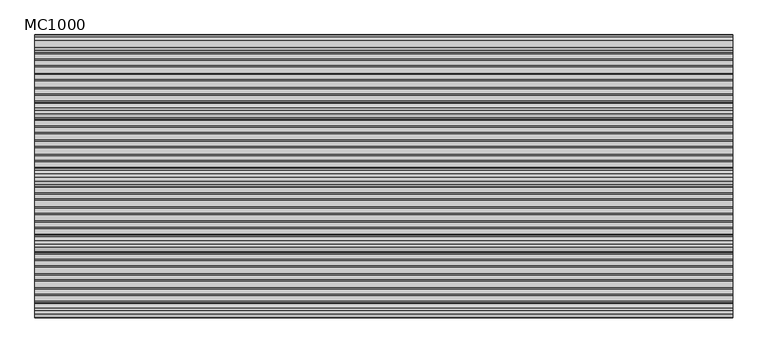
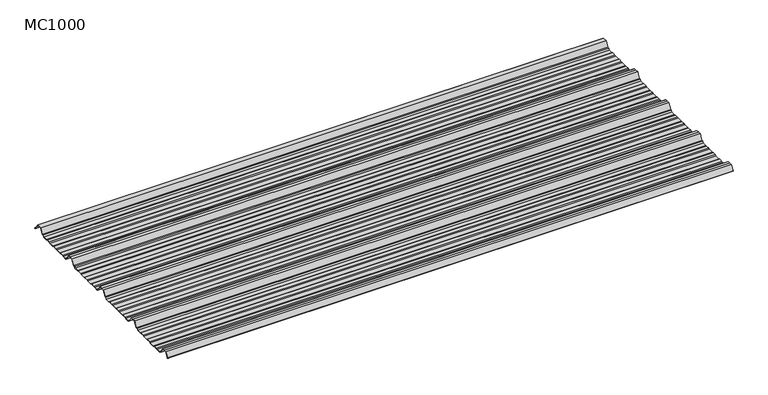
"""IFC4 building model written with IfcOpenShell, lengths in millimetres: beam geometry, MC1000."""

from ifc_helpers import new_model, si_unit, point, frame, frame_2d, origin, place, context, project, spatial, polyline, circle_curve, trimmed, segment, composite_curve, outline, extrude, source, transform, mapped, element, save


def mc1000_f1ba16e7(model_context):
    return source(origin(), model_context, "Body", "SweptSolid", [
        extrude(outline(composite_curve([segment(polyline([(-187.0338322, -23.7896472), (-192.5, -25.7896478), (-213.5, -25.7896478), (-217.6210251, -19.1370213), (-222.9746775, -19.1370213), (-238.0568616, 5.2103522), (-250.0, 5.2103522), (-261.9431384, 5.2103522), (-277.0253225, -19.1370213), (-282.3789749, -19.1370213), (-286.5, -25.7896478), (-307.5, -25.7896478), (-312.9661678, -23.7896476), (-330.9151087, -23.7896476), (-336.3812767, -25.7896478), (-360.5593616, -25.7896478), (-366.0255296, -23.7896476), (-383.97447, -23.7896476), (-389.4406384, -25.7896478), (-413.6187233, -25.7896478), (-419.0848913, -23.7896476), (-437.0338322, -23.7896476), (-442.5, -25.7896478), (-463.5, -25.7896478), (-467.6210251, -19.1370213), (-472.9746775, -19.1370213), (-488.0568616, 5.2103522), (-500.0, 5.2103522), (-511.9431384, 5.2103522), (-527.0253225, -19.1370213), (-532.3789749, -19.1370213), (-536.5, -25.7896478), (-557.5, -25.7896478), (-562.9661678, -23.789648), (-580.9151087, -23.789648), (-586.3812767, -25.7896482), (-610.5593616, -25.7896482), (-616.0255296, -23.7896476), (-633.97447, -23.7896476), (-639.4406384, -25.7896478), (-663.6187233, -25.7896478), (-669.0848913, -23.7896476), (-687.0338322, -23.7896476), (-692.5, -25.7896478), (-713.5, -25.7896478), (-717.6210251, -19.1370213), (-722.9746775, -19.1370213), (-738.0568616, 5.2103522), (-750.0, 5.2103522), (-761.9431384, 5.2103522), (-777.0253225, -19.1370213), (-782.3789749, -19.1370213), (-786.5, -25.7896478), (-807.5, -25.7896478), (-812.9661678, -23.7896476), (-830.9151087, -23.7896476), (-836.3812767, -25.7896478), (-860.5593616, -25.7896478), (-866.0255296, -23.7896476), (-883.97447, -23.7896476), (-889.4406384, -25.7896478), (-913.6187233, -25.7896478), (-919.0848913, -23.7896476), (-937.0338322, -23.7896476), (-942.5, -25.7896478), (-963.5, -25.7896478), (-967.6210251, -19.1370213), (-972.9746775, -19.1370213), (-988.0568616, 5.2103522), (-1000.0, 5.2103522), (-1011.9431384, 5.2103522), (-1025.3430666, -16.4213329)]), True, "CONTINUOUS"), segment(trimmed(circle_curve(frame_2d((-1025.768121, -16.1580294)), 0.5), [point((-1025.3430666, -16.4213329))], [point((-1026.1931754, -15.8947259))], False, "CARTESIAN"), True, "CONTINUOUS"), segment(polyline([(-1026.1931754, -15.8947259), (-1012.5, 6.2103522), (-1000.0, 6.2103522), (-987.5, 6.2103522), (-972.4178159, -18.1370213), (-967.0641635, -18.1370213), (-962.9431384, -24.7896478), (-942.6771992, -24.7896478), (-937.2110314, -22.7896476), (-918.9076926, -22.7896476), (-913.4415242, -24.7896478), (-889.6178376, -24.7896478), (-884.1516696, -22.7896478), (-865.8483309, -22.7896478), (-860.3821624, -24.7896478), (-836.5584758, -24.7896478), (-831.0923074, -22.7896476), (-812.7889686, -22.7896476), (-807.3228008, -24.7896478), (-787.0568616, -24.7896478), (-782.9358365, -18.1370213), (-777.5821841, -18.1370213), (-762.5, 6.2103522), (-750.0, 6.2103522), (-737.5, 6.2103522), (-722.4178159, -18.1370213), (-717.0641635, -18.1370213), (-712.9431384, -24.7896478), (-692.6771992, -24.7896478), (-687.2110314, -22.7896476), (-668.9076926, -22.7896476), (-663.4415242, -24.7896478), (-639.6178376, -24.7896478), (-634.1516696, -22.7896478), (-615.8483309, -22.7896478), (-610.3821624, -24.7896482), (-586.5584758, -24.7896482), (-581.0923074, -22.789648), (-562.7889686, -22.789648), (-557.3228008, -24.7896478), (-537.0568616, -24.7896478), (-532.9358365, -18.1370213), (-527.5821841, -18.1370213), (-512.5, 6.2103522), (-500.0, 6.2103522), (-487.5, 6.2103522), (-472.4178159, -18.1370213), (-467.0641635, -18.1370213), (-462.9431384, -24.7896478), (-442.6771992, -24.7896478), (-437.2110314, -22.7896476), (-418.9076926, -22.7896476), (-413.4415242, -24.7896478), (-389.6178376, -24.7896478), (-384.1516696, -22.7896478), (-365.8483309, -22.7896478), (-360.3821624, -24.7896478), (-336.5584758, -24.7896478), (-331.0923074, -22.7896476), (-312.7889686, -22.7896476), (-307.3228008, -24.7896478), (-287.0568616, -24.7896478), (-282.9358365, -18.1370213), (-277.5821841, -18.1370213), (-262.5, 6.2103522), (-250.0, 6.2103522), (-237.5, 6.2103522), (-222.4178159, -18.1370213), (-217.0641635, -18.1370213), (-212.9431384, -24.7896478), (-192.6771992, -24.7896478), (-187.2110314, -22.7896472), (-168.9076926, -22.7896472), (-163.4415242, -24.7896475), (-139.6178376, -24.7896475), (-134.1516696, -22.7896474), (-115.8483309, -22.7896474), (-110.3821624, -24.7896475), (-86.5584758, -24.7896475), (-81.0923074, -22.7896476), (-62.7889686, -22.7896476), (-57.3228008, -24.7896478), (-37.0568616, -24.7896478), (-32.9358365, -18.1370213), (-25.2295442, -18.1370213), (-11.3862768, 4.2103522), (11.3862768, 4.2103522), (26.4684609, -20.1370213), (31.8221133, -20.1370213), (33.8767469, -23.4538441)]), True, "CONTINUOUS"), segment(trimmed(circle_curve(frame_2d((33.4516925, -23.7171476)), 0.5), [point((33.8767469, -23.4538441))], [point((33.0266381, -23.9804511))], False, "CARTESIAN"), True, "CONTINUOUS"), segment(polyline([(33.0266381, -23.9804511), (31.2652517, -21.1370213), (25.9115993, -21.1370213), (10.8294152, 3.2103522), (-10.8294152, 3.2103522), (-24.6726825, -19.1370213), (-32.3789749, -19.1370213), (-36.5, -25.7896478), (-57.5, -25.7896478), (-62.9661678, -23.7896476), (-80.9151087, -23.7896476), (-86.3812767, -25.7896475), (-110.5593616, -25.7896475), (-116.0255296, -23.7896472), (-133.97447, -23.7896472), (-139.4406384, -25.7896475), (-163.6187233, -25.7896475), (-169.0848913, -23.7896472), (-187.0338322, -23.7896472)]), True, "CONTINUOUS")], self_intersect=False)), frame((-1305.1012987, 0.0, 0.0), z_axis=(1.0, 0.0, 0.0), x_axis=(0.0, 1.0, 0.0)), (0.0, 0.0, 1.0), 2610.2025973),
    ])


if __name__ == "__main__":
    model = new_model("IFC4")
    model_context = context("Model", 3, world=origin())
    ifc_project = project(units=[si_unit("LENGTHUNIT", "METRE", prefix="MILLI")], contexts=[model_context])
    site = spatial("IfcSite", under=ifc_project)
    building = spatial("IfcBuilding", under=site)
    placement = place(None, origin())
    mc1000_shape = mc1000_f1ba16e7(model_context)
    element("IfcBeam", 1, ObjectType="MC1000", at=placement, inside=building, context=model_context, shape_type="MappedRepresentation", body=[
        mapped(mc1000_shape, transform((0.0, 0.0, 0.0), x_axis=(1.0, 0.0, 0.0), y_axis=(0.0, 1.0, 0.0), z_axis=(0.0, 0.0, 1.0))),
    ])
    save(model, "model.ifc")
